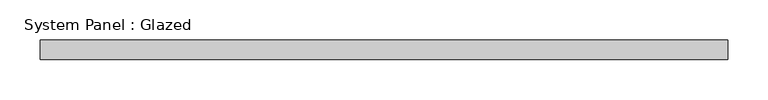
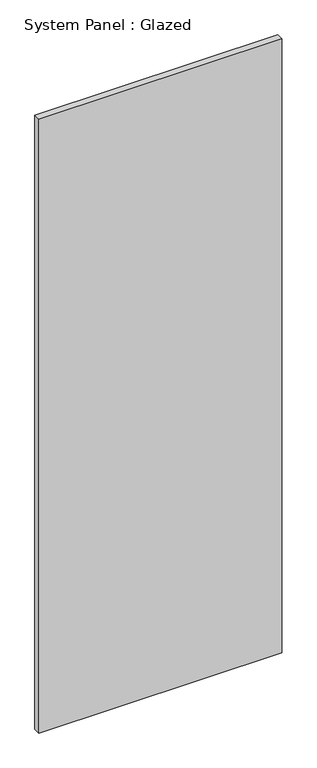
"""IFC4 building model written with IfcOpenShell, lengths in millimetres: plate geometry, System Panel : Glazed."""

from ifc_helpers import new_model, si_unit, origin, origin_with_axes, place, context, project, spatial, polyline, outline, extrude, source, transform, mapped, element, save


def system_panel_glazed_3b7baccb(model_context):
    return source(origin(), model_context, "Body", "SweptSolid", [
        extrude(outline(polyline([(429.9999998, 24.5), (-429.9999998, 24.5), (-429.9999998, 49.5), (429.9999998, 49.5), (429.9999998, 24.5)])), origin_with_axes(), (0.0, 0.0, 1.0), 2300.0),
    ])


if __name__ == "__main__":
    model = new_model("IFC4")
    model_context = context("Model", 3, world=origin())
    ifc_project = project(units=[si_unit("LENGTHUNIT", "METRE", prefix="MILLI")], contexts=[model_context])
    site = spatial("IfcSite", under=ifc_project)
    building = spatial("IfcBuilding", under=site)
    placement = place(None, origin())
    system_panel_glazed_shape = system_panel_glazed_3b7baccb(model_context)
    element("IfcPlate", 1, ObjectType="System Panel : Glazed", at=placement, inside=building, context=model_context, shape_type="MappedRepresentation", body=[
        mapped(system_panel_glazed_shape, transform((0.0, 0.0, 0.0), x_axis=(1.0, 0.0, 0.0), y_axis=(0.0, 1.0, 0.0), z_axis=(0.0, 0.0, 1.0))),
    ])
    save(model, "model.ifc")
